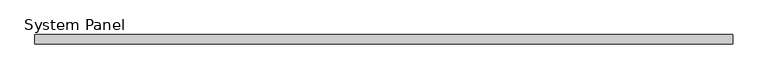
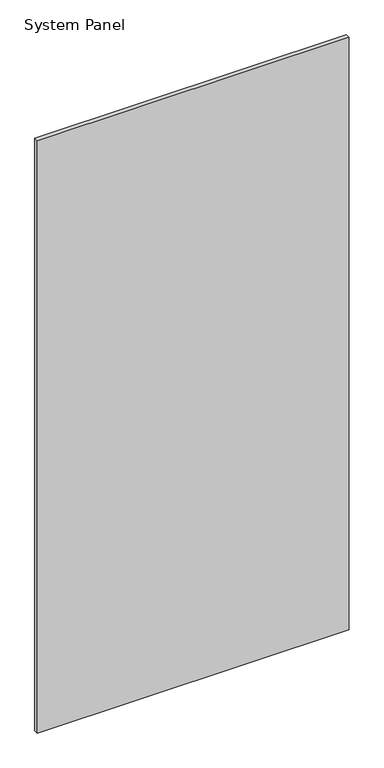
"""IFC4 building model written with IfcOpenShell, lengths in millimetres: plate geometry, System Panel."""

from ifc_helpers import new_model, si_unit, origin, origin_with_axes, place, context, project, spatial, polyline, outline, extrude, source, transform, mapped, element, save


def system_panel_db332662(model_context):
    return source(origin(), model_context, "Body", "SweptSolid", [
        extrude(outline(polyline([(595.0, -8.0), (-595.0, -8.0), (-595.0, 8.0), (595.0, 8.0), (595.0, -8.0)])), origin_with_axes(), (0.0, 0.0, 1.0), 2390.0),
    ])


if __name__ == "__main__":
    model = new_model("IFC4")
    model_context = context("Model", 3, world=origin())
    ifc_project = project(units=[si_unit("LENGTHUNIT", "METRE", prefix="MILLI")], contexts=[model_context])
    site = spatial("IfcSite", under=ifc_project)
    building = spatial("IfcBuilding", under=site)
    placement = place(None, origin())
    system_panel_shape = system_panel_db332662(model_context)
    element("IfcPlate", 1, ObjectType="System Panel", at=placement, inside=building, context=model_context, shape_type="MappedRepresentation", body=[
        mapped(system_panel_shape, transform((0.0, 0.0, 0.0), x_axis=(1.0, 0.0, 0.0), y_axis=(0.0, 1.0, 0.0), z_axis=(0.0, 0.0, 1.0))),
    ])
    save(model, "model.ifc")
